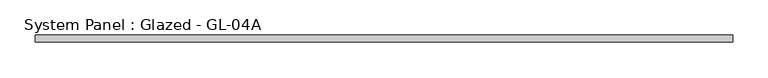
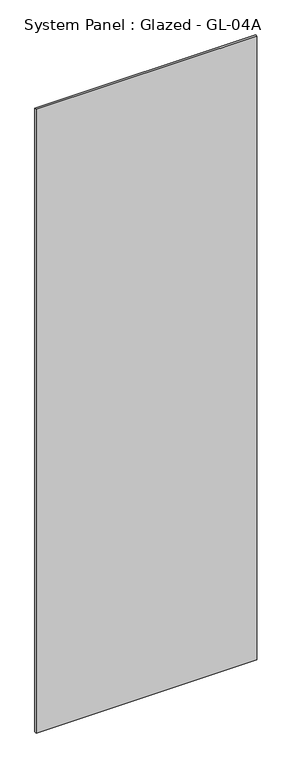
"""IFC4 building model written with IfcOpenShell, lengths in millimetres: plate geometry, System Panel : Glazed - GL-04A."""

from ifc_helpers import new_model, si_unit, origin, origin_with_axes, place, context, project, spatial, polyline, outline, extrude, source, transform, mapped, element, save


def system_panel_glazed_gl_04a_810d0533(model_context):
    return source(origin(), model_context, "Body", "SweptSolid", [
        extrude(outline(polyline([(493.75, 10.0), (-493.75, 10.0), (-493.75, 20.0), (493.75, 20.0), (493.75, 10.0)])), origin_with_axes(), (0.0, 0.0, 1.0), 2950.0),
    ])


if __name__ == "__main__":
    model = new_model("IFC4")
    model_context = context("Model", 3, world=origin())
    ifc_project = project(units=[si_unit("LENGTHUNIT", "METRE", prefix="MILLI")], contexts=[model_context])
    site = spatial("IfcSite", under=ifc_project)
    building = spatial("IfcBuilding", under=site)
    placement = place(None, origin())
    system_panel_glazed_gl_04a_shape = system_panel_glazed_gl_04a_810d0533(model_context)
    element("IfcPlate", 1, ObjectType="System Panel : Glazed - GL-04A", at=placement, inside=building, context=model_context, shape_type="MappedRepresentation", body=[
        mapped(system_panel_glazed_gl_04a_shape, transform((0.0, 0.0, 0.0), x_axis=(1.0, 0.0, 0.0), y_axis=(0.0, 1.0, 0.0), z_axis=(0.0, 0.0, 1.0))),
    ])
    save(model, "model.ifc")
